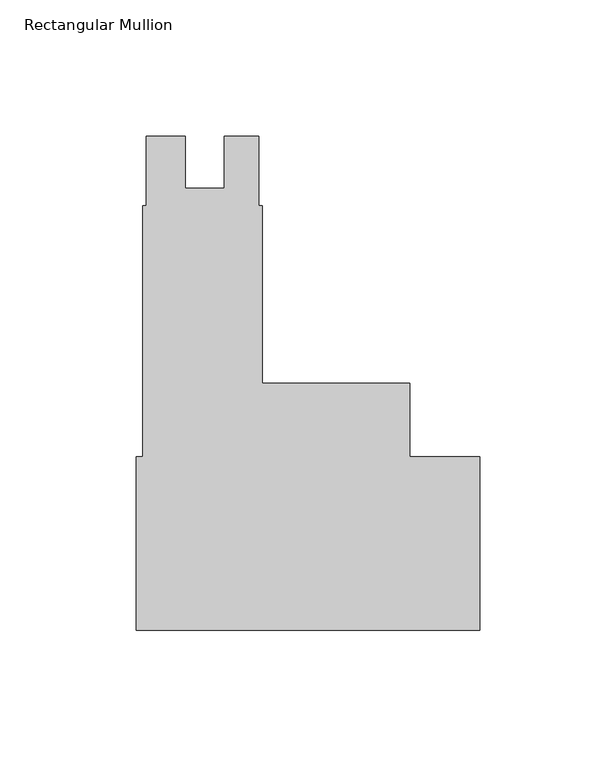
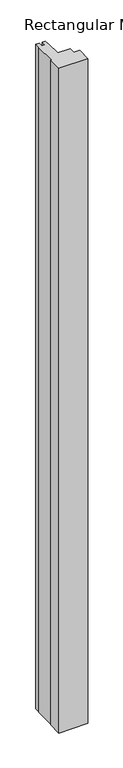
"""IFC4 building model written with IfcOpenShell, lengths in millimetres: member geometry, Rectangular Mullion."""

from ifc_helpers import new_model, si_unit, frame, origin, place, context, project, spatial, polyline, outline, extrude, source, transform, mapped, element, save


def rectangular_mullion_5511a3fb(model_context):
    return source(origin(), model_context, "Body", "SweptSolid", [
        extrude(outline(polyline([(-125.7808, -31.7504479), (-125.7808, 31.7495522), (-123.39955, 31.7495522), (-123.39955, 123.8245522), (-122.1422337, 123.8245522), (-122.1422337, 149.2245522), (-107.88015, 149.2245522), (-107.88015, 130.1872531), (-93.59265, 130.1872531), (-93.59265, 149.2245522), (-80.87995, 149.2245522), (-80.87995, 123.8245522), (-79.60995, 123.8245522), (-79.60995, 58.7243522), (-25.577927, 58.7243522), (-25.577927, 31.7495522), (0.0, 31.7495522), (0.0, -31.7504479), (-125.7808, -31.7504479)])), frame((0.0, 0.0, -3048.0), z_axis=(0.0, 0.0, 1.0), x_axis=(1.0, 0.0, 0.0)), (0.0, 0.0, 1.0), 3048.0),
    ])


if __name__ == "__main__":
    model = new_model("IFC4")
    model_context = context("Model", 3, world=origin())
    ifc_project = project(units=[si_unit("LENGTHUNIT", "METRE", prefix="MILLI")], contexts=[model_context])
    site = spatial("IfcSite", under=ifc_project)
    building = spatial("IfcBuilding", under=site)
    placement = place(None, origin())
    rectangular_mullion_shape = rectangular_mullion_5511a3fb(model_context)
    element("IfcMember", 1, ObjectType="Rectangular Mullion", at=placement, inside=building, context=model_context, shape_type="MappedRepresentation", body=[
        mapped(rectangular_mullion_shape, transform((0.0, 0.0, 0.0), x_axis=(1.0, 0.0, 0.0), y_axis=(0.0, 1.0, 0.0), z_axis=(0.0, 0.0, 1.0))),
    ])
    save(model, "model.ifc")
